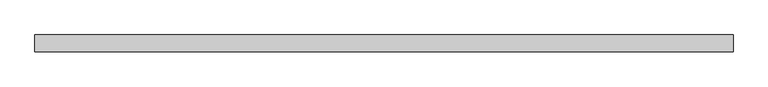
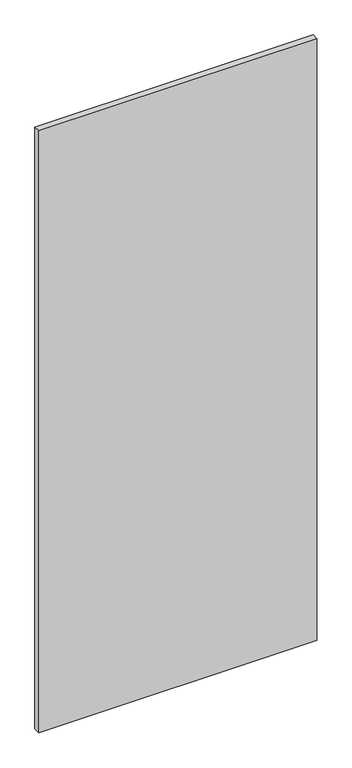
"""IFC4 building model written with IfcOpenShell, lengths in millimetres: plate geometry."""

from ifc_helpers import new_model, si_unit, origin, origin_with_axes, place, context, project, spatial, polyline, outline, extrude, source, transform, mapped, element, save


def plate_e2544429(model_context):
    return source(origin(), model_context, "Body", "SweptSolid", [
        extrude(outline(polyline([(525.0, -12.5), (-525.0, -12.5), (-525.0, 12.5), (525.0, 12.5), (525.0, -12.5)])), origin_with_axes(), (0.0, 0.0, 1.0), 2403.1629157),
    ])


if __name__ == "__main__":
    model = new_model("IFC4")
    model_context = context("Model", 3, world=origin())
    ifc_project = project(units=[si_unit("LENGTHUNIT", "METRE", prefix="MILLI")], contexts=[model_context])
    site = spatial("IfcSite", under=ifc_project)
    building = spatial("IfcBuilding", under=site)
    placement = place(None, origin())
    plate_shape = plate_e2544429(model_context)
    element("IfcPlate", 1, at=placement, inside=building, context=model_context, shape_type="MappedRepresentation", body=[
        mapped(plate_shape, transform((0.0, 0.0, 0.0), x_axis=(1.0, 0.0, 0.0), y_axis=(0.0, 1.0, 0.0), z_axis=(0.0, 0.0, 1.0))),
    ])
    save(model, "model.ifc")
